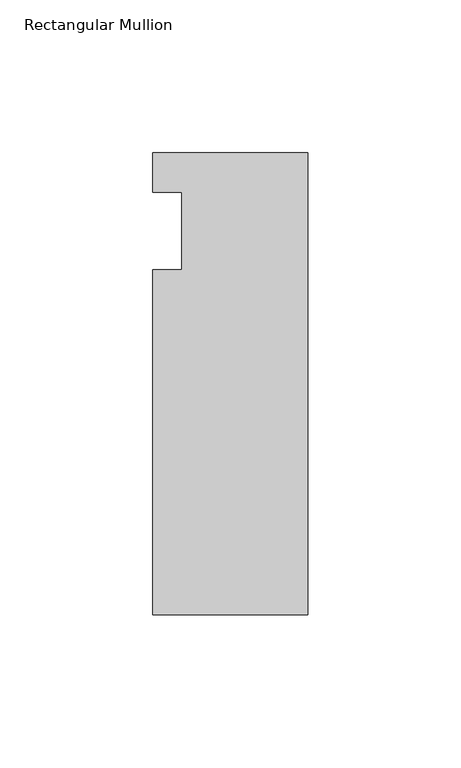
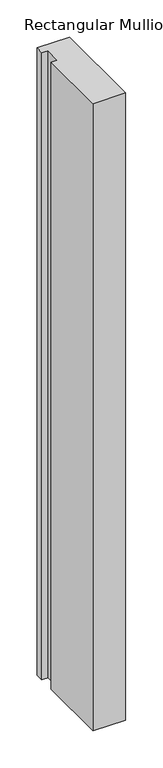
"""IFC4 building model written with IfcOpenShell, lengths in millimetres: member geometry, Rectangular Mullion."""

from ifc_helpers import new_model, si_unit, frame, origin, place, context, project, spatial, polyline, outline, extrude, source, transform, mapped, element, save


def rectangular_mullion_93d72e08(model_context):
    return source(origin(), model_context, "Body", "SweptSolid", [
        extrude(outline(polyline([(-50.8, 25.5984375), (0.0, 25.5984375), (0.0, -125.6109375), (-50.8, -125.6109375), (-50.8, -12.7), (-41.275, -12.7), (-41.275, 12.7), (-50.8, 12.7), (-50.8, 25.5984375)])), frame((0.0, 0.0, -1031.45242), z_axis=(0.0, 0.0, 1.0), x_axis=(1.0, 0.0, 0.0)), (0.0, 0.0, 1.0), 1031.45242),
    ])


if __name__ == "__main__":
    model = new_model("IFC4")
    model_context = context("Model", 3, world=origin())
    ifc_project = project(units=[si_unit("LENGTHUNIT", "METRE", prefix="MILLI")], contexts=[model_context])
    site = spatial("IfcSite", under=ifc_project)
    building = spatial("IfcBuilding", under=site)
    placement = place(None, origin())
    rectangular_mullion_shape = rectangular_mullion_93d72e08(model_context)
    element("IfcMember", 1, ObjectType="Rectangular Mullion", at=placement, inside=building, context=model_context, shape_type="MappedRepresentation", body=[
        mapped(rectangular_mullion_shape, transform((0.0, 0.0, 0.0), x_axis=(1.0, 0.0, 0.0), y_axis=(0.0, 1.0, 0.0), z_axis=(0.0, 0.0, 1.0))),
    ])
    save(model, "model.ifc")
